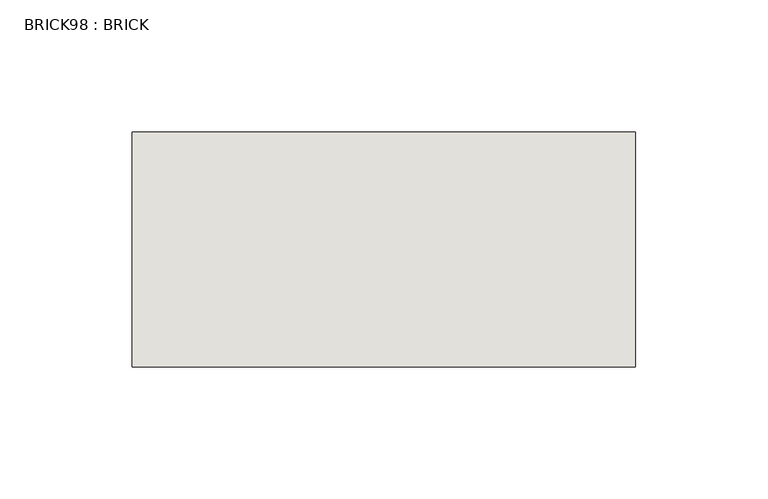
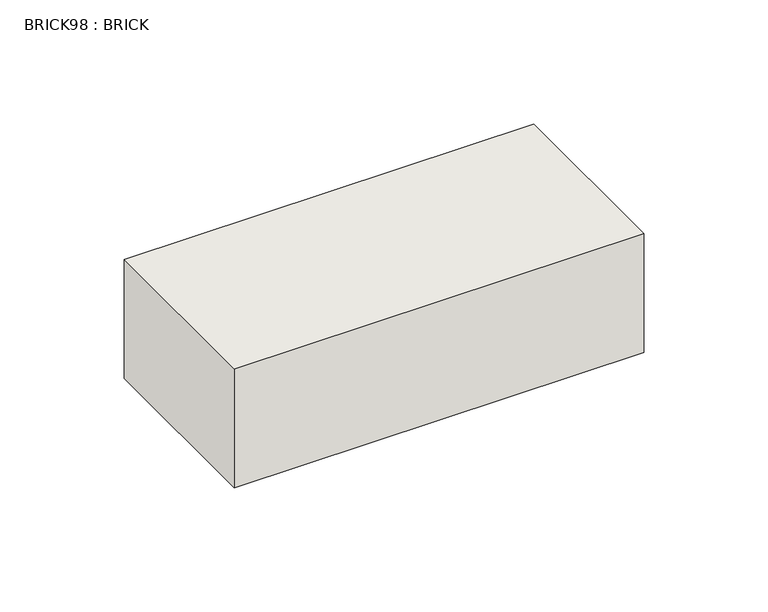
"""IFC4 building model written with IfcOpenShell, lengths in millimetres: wall geometry, BRICK98 : BRICK."""

from ifc_helpers import new_model, si_unit, frame, origin, place, context, project, spatial, polyline, outline, extrude, source, transform, mapped, element, save


def brick98_brick_583ea223(model_context):
    return source(origin(), model_context, "Body", "SweptSolid", [
        extrude(outline(polyline([(1038.0530711, 2586.2274125), (1228.5530711, 2586.2274125), (1228.5530711, 2497.3274125), (1038.0530711, 2497.3274125), (1038.0530711, 2586.2274125)])), frame((0.0, 0.0, 74.3148438), z_axis=(0.0, 0.0, 1.0), x_axis=(1.0, 0.0, 0.0)), (0.0, 0.0, 1.0), 58.4398437),
    ])


if __name__ == "__main__":
    model = new_model("IFC4")
    model_context = context("Model", 3, world=origin())
    ifc_project = project(units=[si_unit("LENGTHUNIT", "METRE", prefix="MILLI")], contexts=[model_context])
    site = spatial("IfcSite", under=ifc_project)
    building = spatial("IfcBuilding", under=site)
    placement = place(None, origin())
    brick98_brick_shape = brick98_brick_583ea223(model_context)
    element("IfcWall", 1, ObjectType="BRICK98 : BRICK", at=placement, inside=building, context=model_context, shape_type="MappedRepresentation", body=[
        mapped(brick98_brick_shape, transform((0.0, 0.0, 0.0), x_axis=(1.0, 0.0, 0.0), y_axis=(0.0, 1.0, 0.0), z_axis=(0.0, 0.0, 1.0))),
    ])
    save(model, "model.ifc")
